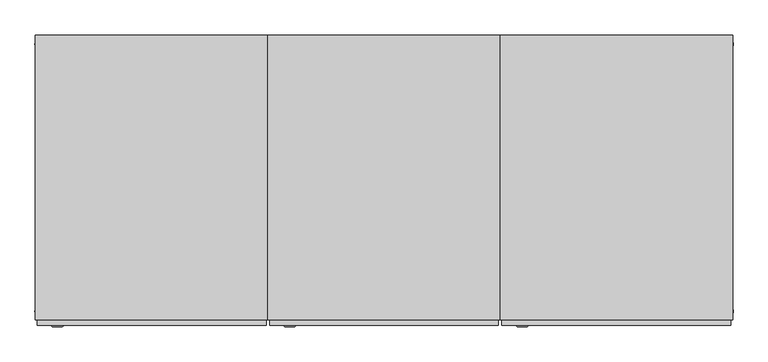
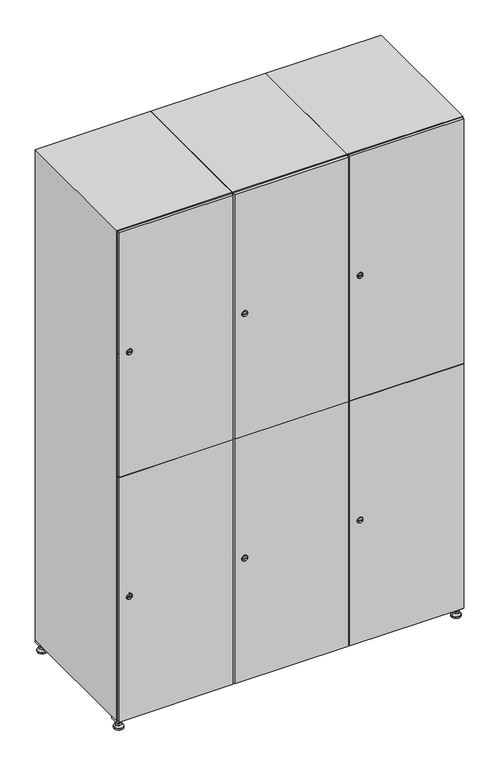
"""IFC4 building model written with IfcOpenShell, lengths in millimetres: furniture geometry."""

from ifc_helpers import new_model, si_unit, point, frame, frame_2d, origin, origin_with_axes, place, context, project, spatial, polyline, circle_curve, trimmed, segment, composite_curve, outline, extrude, faceted_brep, source, transform, mapped, element, save
from ifc_brep_helpers import plane_surface, revolved_surface, advanced_brep


def furniture_ae0b0946(model_context):
    return source(origin(), model_context, "Body", "SolidModel", [
        extrude(outline(polyline([(1000.0, 245.0), (1000.0, 215.0), (970.0, 215.0), (970.0, 245.0), (1000.0, 245.0)]), holes=[polyline([(998.0, 243.0), (972.0, 243.0), (972.0, 217.0), (998.0, 217.0), (998.0, 243.0)])]), frame((0.0, 0.0, 28.5), z_axis=(0.0, 0.0, 1.0), x_axis=(1.0, 0.0, 0.0)), (0.0, 0.0, 1.0), 6.5),
        extrude(outline(polyline([(970.0, -245.0), (970.0, -215.0), (1000.0, -215.0), (1000.0, -245.0), (970.0, -245.0)]), holes=[polyline([(972.0, -243.0), (998.0, -243.0), (998.0, -217.0), (972.0, -217.0), (972.0, -243.0)])]), frame((0.0, 0.0, 28.5), z_axis=(0.0, 0.0, 1.0), x_axis=(1.0, 0.0, 0.0)), (0.0, 0.0, 1.0), 6.5),
        extrude(outline(polyline([(-170.0, 245.0), (-170.0, 215.0), (-200.0, 215.0), (-200.0, 245.0), (-170.0, 245.0)]), holes=[polyline([(-172.0, 243.0), (-198.0, 243.0), (-198.0, 217.0), (-172.0, 217.0), (-172.0, 243.0)])]), frame((0.0, 0.0, 28.5), z_axis=(0.0, 0.0, 1.0), x_axis=(1.0, 0.0, 0.0)), (0.0, 0.0, 1.0), 6.5),
        extrude(outline(polyline([(-170.0, -215.0), (-170.0, -245.0), (-200.0, -245.0), (-200.0, -215.0), (-170.0, -215.0)]), holes=[polyline([(-198.0, -243.0), (-172.0, -243.0), (-172.0, -217.0), (-198.0, -217.0), (-198.0, -243.0)])]), frame((0.0, 0.0, 28.5), z_axis=(0.0, 0.0, 1.0), x_axis=(1.0, 0.0, 0.0)), (0.0, 0.0, 1.0), 6.5),
        extrude(outline(composite_curve([segment(trimmed(circle_curve(frame_2d((-185.0, 230.0)), 5.0), [point((-180.0, 230.0))], [point((-190.0, 230.0))], False, "CARTESIAN"), True, "CONTINUOUS"), segment(trimmed(circle_curve(frame_2d((-185.0, 230.0)), 5.0), [point((-190.0, 230.0))], [point((-180.0, 230.0))], False, "CARTESIAN"), True, "CONTINUOUS")], self_intersect=False)), frame((0.0, 0.0, 19.6), z_axis=(0.0, 0.0, 1.0), x_axis=(1.0, 0.0, 0.0)), (0.0, 0.0, 1.0), 15.4),
        extrude(outline(composite_curve([segment(trimmed(circle_curve(frame_2d((-185.0, -230.0)), 5.0), [point((-180.0, -230.0))], [point((-190.0, -230.0))], False, "CARTESIAN"), True, "CONTINUOUS"), segment(trimmed(circle_curve(frame_2d((-185.0, -230.0)), 5.0), [point((-190.0, -230.0))], [point((-180.0, -230.0))], False, "CARTESIAN"), True, "CONTINUOUS")], self_intersect=False)), frame((0.0, 0.0, 19.6), z_axis=(0.0, 0.0, 1.0), x_axis=(1.0, 0.0, 0.0)), (0.0, 0.0, 1.0), 15.4),
        extrude(outline(composite_curve([segment(trimmed(circle_curve(frame_2d((985.0, 230.0)), 5.0), [point((990.0, 230.0))], [point((980.0, 230.0))], False, "CARTESIAN"), True, "CONTINUOUS"), segment(trimmed(circle_curve(frame_2d((985.0, 230.0)), 5.0), [point((980.0, 230.0))], [point((990.0, 230.0))], False, "CARTESIAN"), True, "CONTINUOUS")], self_intersect=False)), frame((0.0, 0.0, 19.6), z_axis=(0.0, 0.0, 1.0), x_axis=(1.0, 0.0, 0.0)), (0.0, 0.0, 1.0), 15.4),
        extrude(outline(polyline([(973.4529946, 230.0), (979.2264973, 240.0), (990.7735027, 240.0), (996.5470054, 230.0), (990.7735027, 220.0), (979.2264973, 220.0), (973.4529946, 230.0)])), frame((0.0, 0.0, 13.6), z_axis=(0.0, 0.0, 1.0), x_axis=(1.0, 0.0, 0.0)), (0.0, 0.0, 1.0), 6.0),
        extrude(outline(composite_curve([segment(trimmed(circle_curve(frame_2d((985.0, -230.0)), 5.0), [point((990.0, -230.0))], [point((980.0, -230.0))], False, "CARTESIAN"), True, "CONTINUOUS"), segment(trimmed(circle_curve(frame_2d((985.0, -230.0)), 5.0), [point((980.0, -230.0))], [point((990.0, -230.0))], False, "CARTESIAN"), True, "CONTINUOUS")], self_intersect=False)), frame((0.0, 0.0, 19.6), z_axis=(0.0, 0.0, 1.0), x_axis=(1.0, 0.0, 0.0)), (0.0, 0.0, 1.0), 15.4),
        extrude(outline(polyline([(973.4529946, -230.0), (979.2264973, -220.0), (990.7735027, -220.0), (996.5470054, -230.0), (990.7735027, -240.0), (979.2264973, -240.0), (973.4529946, -230.0)])), frame((0.0, 0.0, 13.6), z_axis=(0.0, 0.0, 1.0), x_axis=(1.0, 0.0, 0.0)), (0.0, 0.0, 1.0), 6.0),
        extrude(outline(composite_curve([segment(trimmed(circle_curve(frame_2d((985.0, 230.0)), 5.0), [point((990.0, 230.0))], [point((980.0, 230.0))], False, "CARTESIAN"), True, "CONTINUOUS"), segment(trimmed(circle_curve(frame_2d((985.0, 230.0)), 5.0), [point((980.0, 230.0))], [point((990.0, 230.0))], False, "CARTESIAN"), True, "CONTINUOUS")], self_intersect=False)), frame((0.0, 0.0, 12.1), z_axis=(0.0, 0.0, 1.0), x_axis=(1.0, 0.0, 0.0)), (0.0, 0.0, 1.0), 1.5),
        extrude(outline(composite_curve([segment(trimmed(circle_curve(frame_2d((985.0, -230.0)), 5.0), [point((990.0, -230.0))], [point((980.0, -230.0))], False, "CARTESIAN"), True, "CONTINUOUS"), segment(trimmed(circle_curve(frame_2d((985.0, -230.0)), 5.0), [point((980.0, -230.0))], [point((990.0, -230.0))], False, "CARTESIAN"), True, "CONTINUOUS")], self_intersect=False)), frame((0.0, 0.0, 12.1), z_axis=(0.0, 0.0, 1.0), x_axis=(1.0, 0.0, 0.0)), (0.0, 0.0, 1.0), 1.5),
        extrude(outline(polyline([(-196.5470054, 230.0), (-190.7735027, 240.0), (-179.2264973, 240.0), (-173.4529946, 230.0), (-179.2264973, 220.0), (-190.7735027, 220.0), (-196.5470054, 230.0)])), frame((0.0, 0.0, 13.6), z_axis=(0.0, 0.0, 1.0), x_axis=(1.0, 0.0, 0.0)), (0.0, 0.0, 1.0), 6.0),
        extrude(outline(polyline([(-196.5470054, -230.0), (-190.7735027, -220.0), (-179.2264973, -220.0), (-173.4529946, -230.0), (-179.2264973, -240.0), (-190.7735027, -240.0), (-196.5470054, -230.0)])), frame((0.0, 0.0, 13.6), z_axis=(0.0, 0.0, 1.0), x_axis=(1.0, 0.0, 0.0)), (0.0, 0.0, 1.0), 6.0),
        extrude(outline(composite_curve([segment(trimmed(circle_curve(frame_2d((-185.0, 230.0)), 5.0), [point((-185.0, 235.0))], [point((-185.0, 225.0))], False, "CARTESIAN"), True, "CONTINUOUS"), segment(trimmed(circle_curve(frame_2d((-185.0, 230.0)), 5.0), [point((-185.0, 225.0))], [point((-185.0, 235.0))], False, "CARTESIAN"), True, "CONTINUOUS")], self_intersect=False)), frame((0.0, 0.0, 12.1), z_axis=(0.0, 0.0, 1.0), x_axis=(1.0, 0.0, 0.0)), (0.0, 0.0, 1.0), 1.5),
        extrude(outline(composite_curve([segment(trimmed(circle_curve(frame_2d((-185.0, -230.0)), 5.0), [point((-180.0, -230.0))], [point((-190.0, -230.0))], False, "CARTESIAN"), True, "CONTINUOUS"), segment(trimmed(circle_curve(frame_2d((-185.0, -230.0)), 5.0), [point((-190.0, -230.0))], [point((-180.0, -230.0))], False, "CARTESIAN"), True, "CONTINUOUS")], self_intersect=False)), frame((0.0, 0.0, 12.1), z_axis=(0.0, 0.0, 1.0), x_axis=(1.0, 0.0, 0.0)), (0.0, 0.0, 1.0), 1.5),
        extrude(outline(composite_curve([segment(trimmed(circle_curve(frame_2d((985.0, 230.0)), 15.75), [point((1000.75, 230.0))], [point((969.25, 230.0))], False, "CARTESIAN"), True, "CONTINUOUS"), segment(trimmed(circle_curve(frame_2d((985.0, 230.0)), 15.75), [point((969.25, 230.0))], [point((1000.75, 230.0))], False, "CARTESIAN"), True, "CONTINUOUS")], self_intersect=False)), origin_with_axes(), (0.0, 0.0, 1.0), 5.1),
        extrude(outline(composite_curve([segment(trimmed(circle_curve(frame_2d((985.0, -230.0)), 15.75), [point((985.0, -214.25))], [point((985.0, -245.75))], False, "CARTESIAN"), True, "CONTINUOUS"), segment(trimmed(circle_curve(frame_2d((985.0, -230.0)), 15.75), [point((985.0, -245.75))], [point((985.0, -214.25))], False, "CARTESIAN"), True, "CONTINUOUS")], self_intersect=False)), origin_with_axes(), (0.0, 0.0, 1.0), 5.1),
        extrude(outline(composite_curve([segment(trimmed(circle_curve(frame_2d((-185.0, -230.0)), 15.75), [point((-169.25, -230.0))], [point((-200.75, -230.0))], False, "CARTESIAN"), True, "CONTINUOUS"), segment(trimmed(circle_curve(frame_2d((-185.0, -230.0)), 15.75), [point((-200.75, -230.0))], [point((-169.25, -230.0))], False, "CARTESIAN"), True, "CONTINUOUS")], self_intersect=False)), origin_with_axes(), (0.0, 0.0, 1.0), 5.1),
        extrude(outline(composite_curve([segment(trimmed(circle_curve(frame_2d((-185.0, 230.0)), 15.75), [point((-169.25, 230.0))], [point((-200.75, 230.0))], False, "CARTESIAN"), True, "CONTINUOUS"), segment(trimmed(circle_curve(frame_2d((-185.0, 230.0)), 15.75), [point((-200.75, 230.0))], [point((-169.25, 230.0))], False, "CARTESIAN"), True, "CONTINUOUS")], self_intersect=False)), origin_with_axes(), (0.0, 0.0, 1.0), 5.1),
        advanced_brep(
        [(-185.0, 239.5, 12.1), (-185.0, 220.5, 12.1), (-185.0, 214.25, 5.1), (-185.0, 245.75, 5.1)],
        [
            (0, 1, circle_curve(frame((-185.0, 230.0, 12.1), z_axis=(0.0, 0.0, -1.0), x_axis=(0.0, 1.0, 0.0)), 9.5)),
            (1, 2),
            (2, 3, circle_curve(frame((-185.0, 230.0, 5.1), z_axis=(0.0, 0.0, 1.0), x_axis=(0.0, 1.0, 0.0)), 15.75)),
            (3, 0),
            (1, 0, circle_curve(frame((-185.0, 230.0, 12.1), z_axis=(0.0, 0.0, -1.0), x_axis=(0.0, -1.0, 0.0)), 9.5)),
            (3, 2, circle_curve(frame((-185.0, 230.0, 5.1), z_axis=(0.0, 0.0, 1.0), x_axis=(0.0, -1.0, 0.0)), 15.75)),
        ],
        [
            revolved_surface(polyline([(-185.0, 220.5, 12.099999999999998), (-185.0, 214.25, 5.099999999999998)]), (-185.0, 230.0, 22.74), (0.0, 0.0, -1.0)),
            revolved_surface(polyline([(-185.0, 239.5, 12.099999999999998), (-185.0, 245.75, 5.099999999999998)]), (-185.0, 230.0, 22.74), (0.0, 0.0, -1.0)),
            plane_surface(frame((-185.0, 230.0, 5.1), z_axis=(0.0, 0.0, -1.0), x_axis=(1.0, 0.0, 0.0))),
            plane_surface(frame((-185.0, 230.0, 12.1), z_axis=(0.0, 0.0, 1.0), x_axis=(1.0, 0.0, 0.0))),
        ],
        [
            (0, [[1, 2, 3, 4]]),
            (1, [[5, -4, 6, -2]]),
            (2, [[-3, -6]]),
            (3, [[-5, -1]]),
        ],
    ),
        advanced_brep(
        [(985.0, 239.5, 12.1), (985.0, 220.5, 12.1), (985.0, 214.25, 5.1), (985.0, 245.75, 5.1)],
        [
            (0, 1, circle_curve(frame((985.0, 230.0, 12.1), z_axis=(0.0, 0.0, -1.0), x_axis=(0.0, 1.0, 0.0)), 9.5)),
            (1, 2),
            (2, 3, circle_curve(frame((985.0, 230.0, 5.1), z_axis=(0.0, 0.0, 1.0), x_axis=(0.0, 1.0, 0.0)), 15.75)),
            (3, 0),
            (1, 0, circle_curve(frame((985.0, 230.0, 12.1), z_axis=(0.0, 0.0, -1.0), x_axis=(0.0, -1.0, 0.0)), 9.5)),
            (3, 2, circle_curve(frame((985.0, 230.0, 5.1), z_axis=(0.0, 0.0, 1.0), x_axis=(0.0, -1.0, 0.0)), 15.75)),
        ],
        [
            revolved_surface(polyline([(985.0, 220.5, 12.099999999999998), (985.0, 214.25, 5.099999999999998)]), (985.0, 230.0, 22.74), (0.0, 0.0, -1.0)),
            revolved_surface(polyline([(985.0, 239.5, 12.099999999999998), (985.0, 245.75, 5.099999999999998)]), (985.0, 230.0, 22.74), (0.0, 0.0, -1.0)),
            plane_surface(frame((985.0, 230.0, 5.1), z_axis=(0.0, 0.0, -1.0), x_axis=(1.0, 0.0, 0.0))),
            plane_surface(frame((985.0, 230.0, 12.1), z_axis=(0.0, 0.0, 1.0), x_axis=(1.0, 0.0, 0.0))),
        ],
        [
            (0, [[1, 2, 3, 4]]),
            (1, [[5, -4, 6, -2]]),
            (2, [[-3, -6]]),
            (3, [[-5, -1]]),
        ],
    ),
        advanced_brep(
        [(1000.75, -230.0, 5.1), (969.25, -230.0, 5.1), (975.5, -230.0, 12.1), (994.5, -230.0, 12.1)],
        [
            (0, 1, circle_curve(frame((985.0, -230.0, 5.1), z_axis=(0.0, 0.0, 1.0), x_axis=(1.0, 0.0, 0.0)), 15.75)),
            (1, 2),
            (2, 3, circle_curve(frame((985.0, -230.0, 12.1), z_axis=(0.0, 0.0, -1.0), x_axis=(1.0, 0.0, 0.0)), 9.5)),
            (3, 0),
            (1, 0, circle_curve(frame((985.0, -230.0, 5.1), z_axis=(0.0, 0.0, 1.0), x_axis=(-1.0, 0.0, 0.0)), 15.75)),
            (3, 2, circle_curve(frame((985.0, -230.0, 12.1), z_axis=(0.0, 0.0, -1.0), x_axis=(-1.0, 0.0, 0.0)), 9.5)),
        ],
        [
            revolved_surface(polyline([(994.5, -230.0, 12.099999999999998), (1000.75, -230.0, 5.099999999999998)]), (985.0, -230.0, 22.74), (0.0, 0.0, -1.0)),
            revolved_surface(polyline([(975.5, -230.0, 12.099999999999998), (969.25, -230.0, 5.099999999999998)]), (985.0, -230.0, 22.74), (0.0, 0.0, -1.0)),
            plane_surface(frame((985.0, -230.0, 12.1), z_axis=(0.0, 0.0, 1.0), x_axis=(0.0, 1.0, 0.0))),
            plane_surface(frame((985.0, -230.0, 5.1), z_axis=(0.0, 0.0, -1.0), x_axis=(0.0, 1.0, 0.0))),
        ],
        [
            (0, [[1, 2, 3, 4]]),
            (1, [[5, -4, 6, -2]]),
            (2, [[-3, -6]]),
            (3, [[-5, -1]]),
        ],
    ),
        advanced_brep(
        [(-169.25, -230.0, 5.1), (-200.75, -230.0, 5.1), (-194.5, -230.0, 12.1), (-175.5, -230.0, 12.1)],
        [
            (0, 1, circle_curve(frame((-185.0, -230.0, 5.1), z_axis=(0.0, 0.0, 1.0), x_axis=(1.0, 0.0, 0.0)), 15.75)),
            (1, 2),
            (2, 3, circle_curve(frame((-185.0, -230.0, 12.1), z_axis=(0.0, 0.0, -1.0), x_axis=(1.0, 0.0, 0.0)), 9.5)),
            (3, 0),
            (1, 0, circle_curve(frame((-185.0, -230.0, 5.1), z_axis=(0.0, 0.0, 1.0), x_axis=(-1.0, 0.0, 0.0)), 15.75)),
            (3, 2, circle_curve(frame((-185.0, -230.0, 12.1), z_axis=(0.0, 0.0, -1.0), x_axis=(-1.0, 0.0, 0.0)), 9.5)),
        ],
        [
            revolved_surface(polyline([(-175.5, -230.0, 12.099999999999998), (-169.25, -230.0, 5.099999999999998)]), (-185.0, -230.0, 22.74), (0.0, 0.0, -1.0)),
            revolved_surface(polyline([(-194.5, -230.0, 12.099999999999998), (-200.75, -230.0, 5.099999999999998)]), (-185.0, -230.0, 22.74), (0.0, 0.0, -1.0)),
            plane_surface(frame((-185.0, -230.0, 12.1), z_axis=(0.0, 0.0, 1.0), x_axis=(0.0, 1.0, 0.0))),
            plane_surface(frame((-185.0, -230.0, 5.1), z_axis=(0.0, 0.0, -1.0), x_axis=(0.0, 1.0, 0.0))),
        ],
        [
            (0, [[1, 2, 3, 4]]),
            (1, [[5, -4, 6, -2]]),
            (2, [[-3, -6]]),
            (3, [[-5, -1]]),
        ],
    ),
        extrude(outline(composite_curve([segment(trimmed(circle_curve(frame_2d((486.5, 611.2010534)), 7.0), [point((493.5, 611.2010534))], [point((479.5, 611.2010534))], False, "CARTESIAN"), True, "CONTINUOUS"), segment(polyline([(479.5, 611.2010534), (479.5, 639.2010534)]), True, "CONTINUOUS"), segment(trimmed(circle_curve(frame_2d((486.5, 639.2010534)), 7.0), [point((479.5, 639.2010534))], [point((493.5, 639.2010534))], False, "CARTESIAN"), True, "CONTINUOUS"), segment(polyline([(493.5, 639.2010534), (493.5, 611.2010534)]), True, "CONTINUOUS")], self_intersect=False)), frame((0.0, -245.0, 0.0), z_axis=(0.0, 1.0, 0.0), x_axis=(0.0, 0.0, 1.0)), (0.0, 0.0, 1.0), 2.0),
        advanced_brep(
        [(646.5, -257.2, 486.5), (629.5, -257.2, 486.5), (633.0, -257.2, 485.25), (633.0, -257.2, 487.75), (643.0, -257.2, 487.75), (643.0, -257.2, 485.25), (648.5, -255.0, 486.5), (627.5, -255.0, 486.5), (633.0, -255.0, 487.75), (633.0, -255.0, 485.25), (643.0, -255.0, 485.25), (643.0, -255.0, 487.75)],
        [
            (0, 1, circle_curve(frame((638.0, -257.2, 486.5), z_axis=(0.0, -1.0, 0.0), x_axis=(1.0, 0.0, 0.0)), 8.5)),
            (1, 0, circle_curve(frame((638.0, -257.2, 486.5), z_axis=(0.0, -1.0, 0.0), x_axis=(-1.0, 0.0, 0.0)), 8.5)),
            (2, 3),
            (3, 4),
            (4, 5),
            (5, 2),
            (6, 7, circle_curve(frame((638.0, -255.0, 486.5), z_axis=(0.0, 1.0, 0.0), x_axis=(-1.0, 0.0, 0.0)), 10.5)),
            (7, 6, circle_curve(frame((638.0, -255.0, 486.5), z_axis=(0.0, 1.0, 0.0), x_axis=(1.0, 0.0, 0.0)), 10.5)),
            (8, 9),
            (9, 10),
            (10, 11),
            (11, 8),
            (0, 6),
            (7, 1),
            (8, 3),
            (2, 9),
            (11, 4),
            (10, 5),
        ],
        [
            plane_surface(frame((638.0, -257.2, 486.5), z_axis=(0.0, -1.0, 0.0), x_axis=(0.0, 0.0, 1.0))),
            plane_surface(frame((638.0, -255.0, 486.5), z_axis=(0.0, 1.0, 0.0), x_axis=(0.0, 0.0, 1.0))),
            revolved_surface(polyline([(646.5, -257.2, 486.5), (648.5, -255.0, 486.5)]), (638.0, -266.55, 486.5), (0.0, 1.0, 0.0)),
            revolved_surface(polyline([(629.5, -257.2, 486.5), (627.5, -255.0, 486.5)]), (638.0, -266.55, 486.5), (0.0, 1.0, 0.0)),
            plane_surface(frame((633.0, -255.0, 485.25), z_axis=(1.0, 0.0, 0.0), x_axis=(0.0, -1.0, 0.0))),
            plane_surface(frame((633.0, -255.0, 487.75), z_axis=(0.0, 0.0, -1.0), x_axis=(0.0, -1.0, 0.0))),
            plane_surface(frame((643.0, -255.0, 487.75), z_axis=(-1.0, 0.0, 0.0), x_axis=(0.0, -1.0, 0.0))),
            plane_surface(frame((643.0, -255.0, 485.25), z_axis=(0.0, 0.0, 1.0), x_axis=(0.0, -1.0, 0.0))),
        ],
        [
            (0, [[1, 2], [3, 4, 5, 6]]),
            (1, [[7, 8], [9, 10, 11, 12]]),
            (2, [[-1, 13, -8, 14]]),
            (3, [[-2, -14, -7, -13]]),
            (4, [[15, -3, 16, -9]]),
            (5, [[-15, -12, 17, -4]]),
            (6, [[-17, -11, 18, -5]]),
            (7, [[-16, -6, -18, -10]]),
        ],
    ),
        extrude(outline(composite_curve([segment(trimmed(circle_curve(frame_2d((1383.5, 611.2010534)), 7.0), [point((1390.5, 611.2010534))], [point((1376.5, 611.2010534))], False, "CARTESIAN"), True, "CONTINUOUS"), segment(polyline([(1376.5, 611.2010534), (1376.5, 639.2010534)]), True, "CONTINUOUS"), segment(trimmed(circle_curve(frame_2d((1383.5, 639.2010534)), 7.0), [point((1376.5, 639.2010534))], [point((1390.5, 639.2010534))], False, "CARTESIAN"), True, "CONTINUOUS"), segment(polyline([(1390.5, 639.2010534), (1390.5, 611.2010534)]), True, "CONTINUOUS")], self_intersect=False)), frame((0.0, -245.0, 0.0), z_axis=(0.0, 1.0, 0.0), x_axis=(0.0, 0.0, 1.0)), (0.0, 0.0, 1.0), 2.0),
        advanced_brep(
        [(646.5, -257.2, 1383.5), (629.5, -257.2, 1383.5), (633.0, -257.2, 1382.25), (633.0, -257.2, 1384.75), (643.0, -257.2, 1384.75), (643.0, -257.2, 1382.25), (648.5, -255.0, 1383.5), (627.5, -255.0, 1383.5), (633.0, -255.0, 1384.75), (633.0, -255.0, 1382.25), (643.0, -255.0, 1382.25), (643.0, -255.0, 1384.75)],
        [
            (0, 1, circle_curve(frame((638.0, -257.2, 1383.5), z_axis=(0.0, -1.0, 0.0), x_axis=(1.0, 0.0, 0.0)), 8.5)),
            (1, 0, circle_curve(frame((638.0, -257.2, 1383.5), z_axis=(0.0, -1.0, 0.0), x_axis=(-1.0, 0.0, 0.0)), 8.5)),
            (2, 3),
            (3, 4),
            (4, 5),
            (5, 2),
            (6, 7, circle_curve(frame((638.0, -255.0, 1383.5), z_axis=(0.0, 1.0, 0.0), x_axis=(-1.0, 0.0, 0.0)), 10.5)),
            (7, 6, circle_curve(frame((638.0, -255.0, 1383.5), z_axis=(0.0, 1.0, 0.0), x_axis=(1.0, 0.0, 0.0)), 10.5)),
            (8, 9),
            (9, 10),
            (10, 11),
            (11, 8),
            (0, 6),
            (7, 1),
            (8, 3),
            (2, 9),
            (11, 4),
            (10, 5),
        ],
        [
            plane_surface(frame((638.0, -257.2, 1383.5), z_axis=(0.0, -1.0, 0.0), x_axis=(0.0, 0.0, 1.0))),
            plane_surface(frame((638.0, -255.0, 1383.5), z_axis=(0.0, 1.0, 0.0), x_axis=(0.0, 0.0, 1.0))),
            revolved_surface(polyline([(646.5, -257.2, 1383.5), (648.5, -255.0, 1383.5)]), (638.0, -266.55, 1383.5), (0.0, 1.0, 0.0)),
            revolved_surface(polyline([(629.5, -257.2, 1383.5), (627.5, -255.0, 1383.5)]), (638.0, -266.55, 1383.5), (0.0, 1.0, 0.0)),
            plane_surface(frame((633.0, -255.0, 1382.25), z_axis=(1.0, 0.0, 0.0), x_axis=(0.0, -1.0, 0.0))),
            plane_surface(frame((633.0, -255.0, 1384.75), z_axis=(0.0, 0.0, -1.0), x_axis=(0.0, -1.0, 0.0))),
            plane_surface(frame((643.0, -255.0, 1384.75), z_axis=(-1.0, 0.0, 0.0), x_axis=(0.0, -1.0, 0.0))),
            plane_surface(frame((643.0, -255.0, 1382.25), z_axis=(0.0, 0.0, 1.0), x_axis=(0.0, -1.0, 0.0))),
        ],
        [
            (0, [[1, 2], [3, 4, 5, 6]]),
            (1, [[7, 8], [9, 10, 11, 12]]),
            (2, [[-1, 13, -8, 14]]),
            (3, [[-2, -14, -7, -13]]),
            (4, [[15, -3, 16, -9]]),
            (5, [[-15, -12, 17, -4]]),
            (6, [[-17, -11, 18, -5]]),
            (7, [[-16, -6, -18, -10]]),
        ],
    ),
        extrude(outline(polyline([(603.0, -255.0), (603.0, -245.0), (997.0, -245.0), (997.0, -255.0), (603.0, -255.0)])), frame((0.0, 0.0, 38.0), z_axis=(0.0, 0.0, 1.0), x_axis=(1.0, 0.0, 0.0)), (0.0, 0.0, 1.0), 896.5),
        extrude(outline(polyline([(997.0, -245.0), (997.0, -255.0), (603.0, -255.0), (603.0, -245.0), (997.0, -245.0)])), frame((0.0, 0.0, 935.5), z_axis=(0.0, 0.0, 1.0), x_axis=(1.0, 0.0, 0.0)), (0.0, 0.0, 1.0), 896.5),
        extrude(outline(polyline([(979.6, 242.0), (979.6, -235.0), (620.4, -235.0), (620.4, 242.0), (979.6, 242.0)])), frame((0.0, 0.0, 924.8), z_axis=(0.0, 0.0, 1.0), x_axis=(1.0, 0.0, 0.0)), (0.0, 0.0, 1.0), 20.4),
        faceted_brep([(1000.0, -245.0, 35.0), (1000.0, -245.0, 1835.0), (600.0, -245.0, 1835.0), (600.0, -245.0, 35.0), (979.6, -245.0, 1804.8), (979.6, -245.0, 65.2), (620.4, -245.0, 65.2), (620.4, -245.0, 1804.8), (1000.0, 245.0, 35.0), (600.0, 245.0, 35.0), (1000.0, 245.0, 1835.0), (600.0, 245.0, 1835.0), (979.6, 242.0, 1804.8), (979.6, 242.0, 65.2), (600.0, 245.0, 1804.8), (620.4, 242.0, 1804.8), (620.4, 242.0, 65.2)], [[[0, 1, 2, 3], [4, 5, 6, 7]], [[8, 0, 3, 9]], [[1, 0, 8, 10]], [[1, 10, 11, 2]], [[4, 12, 13, 5]], [[9, 3, 2, 11, 14]], [[10, 8, 9, 14, 11]], [[12, 15, 16, 13]], [[15, 7, 6, 16]], [[4, 7, 15, 12]], [[6, 5, 13, 16]]]),
        extrude(outline(composite_curve([segment(trimmed(circle_curve(frame_2d((486.5, 211.2010534)), 7.0), [point((493.5, 211.2010534))], [point((479.5, 211.2010534))], False, "CARTESIAN"), True, "CONTINUOUS"), segment(polyline([(479.5, 211.2010534), (479.5, 239.2010534)]), True, "CONTINUOUS"), segment(trimmed(circle_curve(frame_2d((486.5, 239.2010534)), 7.0), [point((479.5, 239.2010534))], [point((493.5, 239.2010534))], False, "CARTESIAN"), True, "CONTINUOUS"), segment(polyline([(493.5, 239.2010534), (493.5, 211.2010534)]), True, "CONTINUOUS")], self_intersect=False)), frame((0.0, -245.0, 0.0), z_axis=(0.0, 1.0, 0.0), x_axis=(0.0, 0.0, 1.0)), (0.0, 0.0, 1.0), 2.0),
        advanced_brep(
        [(246.5, -257.2, 486.5), (229.5, -257.2, 486.5), (233.0, -257.2, 485.25), (233.0, -257.2, 487.75), (243.0, -257.2, 487.75), (243.0, -257.2, 485.25), (248.5, -255.0, 486.5), (227.5, -255.0, 486.5), (233.0, -255.0, 487.75), (233.0, -255.0, 485.25), (243.0, -255.0, 485.25), (243.0, -255.0, 487.75)],
        [
            (0, 1, circle_curve(frame((238.0, -257.2, 486.5), z_axis=(0.0, -1.0, 0.0), x_axis=(1.0, 0.0, 0.0)), 8.5)),
            (1, 0, circle_curve(frame((238.0, -257.2, 486.5), z_axis=(0.0, -1.0, 0.0), x_axis=(-1.0, 0.0, 0.0)), 8.5)),
            (2, 3),
            (3, 4),
            (4, 5),
            (5, 2),
            (6, 7, circle_curve(frame((238.0, -255.0, 486.5), z_axis=(0.0, 1.0, 0.0), x_axis=(-1.0, 0.0, 0.0)), 10.5)),
            (7, 6, circle_curve(frame((238.0, -255.0, 486.5), z_axis=(0.0, 1.0, 0.0), x_axis=(1.0, 0.0, 0.0)), 10.5)),
            (8, 9),
            (9, 10),
            (10, 11),
            (11, 8),
            (0, 6),
            (7, 1),
            (8, 3),
            (2, 9),
            (11, 4),
            (10, 5),
        ],
        [
            plane_surface(frame((238.0, -257.2, 486.5), z_axis=(0.0, -1.0, 0.0), x_axis=(0.0, 0.0, 1.0))),
            plane_surface(frame((238.0, -255.0, 486.5), z_axis=(0.0, 1.0, 0.0), x_axis=(0.0, 0.0, 1.0))),
            revolved_surface(polyline([(246.5, -257.2, 486.5), (248.5, -255.0, 486.5)]), (238.0, -266.55, 486.5), (0.0, 1.0, 0.0)),
            revolved_surface(polyline([(229.5, -257.2, 486.5), (227.5, -255.0, 486.5)]), (238.0, -266.55, 486.5), (0.0, 1.0, 0.0)),
            plane_surface(frame((233.0, -255.0, 485.25), z_axis=(1.0, 0.0, 0.0), x_axis=(0.0, -1.0, 0.0))),
            plane_surface(frame((233.0, -255.0, 487.75), z_axis=(0.0, 0.0, -1.0), x_axis=(0.0, -1.0, 0.0))),
            plane_surface(frame((243.0, -255.0, 487.75), z_axis=(-1.0, 0.0, 0.0), x_axis=(0.0, -1.0, 0.0))),
            plane_surface(frame((243.0, -255.0, 485.25), z_axis=(0.0, 0.0, 1.0), x_axis=(0.0, -1.0, 0.0))),
        ],
        [
            (0, [[1, 2], [3, 4, 5, 6]]),
            (1, [[7, 8], [9, 10, 11, 12]]),
            (2, [[-1, 13, -8, 14]]),
            (3, [[-2, -14, -7, -13]]),
            (4, [[15, -3, 16, -9]]),
            (5, [[-15, -12, 17, -4]]),
            (6, [[-17, -11, 18, -5]]),
            (7, [[-16, -6, -18, -10]]),
        ],
    ),
        extrude(outline(composite_curve([segment(trimmed(circle_curve(frame_2d((1383.5, 211.2010534)), 7.0), [point((1390.5, 211.2010534))], [point((1376.5, 211.2010534))], False, "CARTESIAN"), True, "CONTINUOUS"), segment(polyline([(1376.5, 211.2010534), (1376.5, 239.2010534)]), True, "CONTINUOUS"), segment(trimmed(circle_curve(frame_2d((1383.5, 239.2010534)), 7.0), [point((1376.5, 239.2010534))], [point((1390.5, 239.2010534))], False, "CARTESIAN"), True, "CONTINUOUS"), segment(polyline([(1390.5, 239.2010534), (1390.5, 211.2010534)]), True, "CONTINUOUS")], self_intersect=False)), frame((0.0, -245.0, 0.0), z_axis=(0.0, 1.0, 0.0), x_axis=(0.0, 0.0, 1.0)), (0.0, 0.0, 1.0), 2.0),
        advanced_brep(
        [(246.5, -257.2, 1383.5), (229.5, -257.2, 1383.5), (233.0, -257.2, 1382.25), (233.0, -257.2, 1384.75), (243.0, -257.2, 1384.75), (243.0, -257.2, 1382.25), (248.5, -255.0, 1383.5), (227.5, -255.0, 1383.5), (233.0, -255.0, 1384.75), (233.0, -255.0, 1382.25), (243.0, -255.0, 1382.25), (243.0, -255.0, 1384.75)],
        [
            (0, 1, circle_curve(frame((238.0, -257.2, 1383.5), z_axis=(0.0, -1.0, 0.0), x_axis=(1.0, 0.0, 0.0)), 8.5)),
            (1, 0, circle_curve(frame((238.0, -257.2, 1383.5), z_axis=(0.0, -1.0, 0.0), x_axis=(-1.0, 0.0, 0.0)), 8.5)),
            (2, 3),
            (3, 4),
            (4, 5),
            (5, 2),
            (6, 7, circle_curve(frame((238.0, -255.0, 1383.5), z_axis=(0.0, 1.0, 0.0), x_axis=(-1.0, 0.0, 0.0)), 10.5)),
            (7, 6, circle_curve(frame((238.0, -255.0, 1383.5), z_axis=(0.0, 1.0, 0.0), x_axis=(1.0, 0.0, 0.0)), 10.5)),
            (8, 9),
            (9, 10),
            (10, 11),
            (11, 8),
            (0, 6),
            (7, 1),
            (8, 3),
            (2, 9),
            (11, 4),
            (10, 5),
        ],
        [
            plane_surface(frame((238.0, -257.2, 1383.5), z_axis=(0.0, -1.0, 0.0), x_axis=(0.0, 0.0, 1.0))),
            plane_surface(frame((238.0, -255.0, 1383.5), z_axis=(0.0, 1.0, 0.0), x_axis=(0.0, 0.0, 1.0))),
            revolved_surface(polyline([(246.5, -257.2, 1383.5), (248.5, -255.0, 1383.5)]), (238.0, -266.55, 1383.5), (0.0, 1.0, 0.0)),
            revolved_surface(polyline([(229.5, -257.2, 1383.5), (227.5, -255.0, 1383.5)]), (238.0, -266.55, 1383.5), (0.0, 1.0, 0.0)),
            plane_surface(frame((233.0, -255.0, 1382.25), z_axis=(1.0, 0.0, 0.0), x_axis=(0.0, -1.0, 0.0))),
            plane_surface(frame((233.0, -255.0, 1384.75), z_axis=(0.0, 0.0, -1.0), x_axis=(0.0, -1.0, 0.0))),
            plane_surface(frame((243.0, -255.0, 1384.75), z_axis=(-1.0, 0.0, 0.0), x_axis=(0.0, -1.0, 0.0))),
            plane_surface(frame((243.0, -255.0, 1382.25), z_axis=(0.0, 0.0, 1.0), x_axis=(0.0, -1.0, 0.0))),
        ],
        [
            (0, [[1, 2], [3, 4, 5, 6]]),
            (1, [[7, 8], [9, 10, 11, 12]]),
            (2, [[-1, 13, -8, 14]]),
            (3, [[-2, -14, -7, -13]]),
            (4, [[15, -3, 16, -9]]),
            (5, [[-15, -12, 17, -4]]),
            (6, [[-17, -11, 18, -5]]),
            (7, [[-16, -6, -18, -10]]),
        ],
    ),
        extrude(outline(polyline([(203.0, -255.0), (203.0, -245.0), (597.0, -245.0), (597.0, -255.0), (203.0, -255.0)])), frame((0.0, 0.0, 38.0), z_axis=(0.0, 0.0, 1.0), x_axis=(1.0, 0.0, 0.0)), (0.0, 0.0, 1.0), 896.5),
        extrude(outline(polyline([(597.0, -245.0), (597.0, -255.0), (203.0, -255.0), (203.0, -245.0), (597.0, -245.0)])), frame((0.0, 0.0, 935.5), z_axis=(0.0, 0.0, 1.0), x_axis=(1.0, 0.0, 0.0)), (0.0, 0.0, 1.0), 896.5),
        extrude(outline(polyline([(579.6, 242.0), (579.6, -235.0), (220.4, -235.0), (220.4, 242.0), (579.6, 242.0)])), frame((0.0, 0.0, 924.8), z_axis=(0.0, 0.0, 1.0), x_axis=(1.0, 0.0, 0.0)), (0.0, 0.0, 1.0), 20.4),
        faceted_brep([(600.0, -245.0, 35.0), (600.0, -245.0, 1835.0), (200.0, -245.0, 1835.0), (200.0, -245.0, 35.0), (579.6, -245.0, 1804.8), (579.6, -245.0, 65.2), (220.4, -245.0, 65.2), (220.4, -245.0, 1804.8), (600.0, 245.0, 35.0), (200.0, 245.0, 35.0), (600.0, 245.0, 1835.0), (200.0, 245.0, 1835.0), (579.6, 242.0, 1804.8), (579.6, 242.0, 65.2), (200.0, 245.0, 1804.8), (220.4, 242.0, 1804.8), (220.4, 242.0, 65.2)], [[[0, 1, 2, 3], [4, 5, 6, 7]], [[8, 0, 3, 9]], [[1, 0, 8, 10]], [[1, 10, 11, 2]], [[4, 12, 13, 5]], [[9, 3, 2, 11, 14]], [[10, 8, 9, 14, 11]], [[12, 15, 16, 13]], [[15, 7, 6, 16]], [[4, 7, 15, 12]], [[6, 5, 13, 16]]]),
        extrude(outline(composite_curve([segment(trimmed(circle_curve(frame_2d((486.5, -188.7989466)), 7.0), [point((493.5, -188.7989466))], [point((479.5, -188.7989466))], False, "CARTESIAN"), True, "CONTINUOUS"), segment(polyline([(479.5, -188.7989466), (479.5, -160.7989466)]), True, "CONTINUOUS"), segment(trimmed(circle_curve(frame_2d((486.5, -160.7989466)), 7.0), [point((479.5, -160.7989466))], [point((493.5, -160.7989466))], False, "CARTESIAN"), True, "CONTINUOUS"), segment(polyline([(493.5, -160.7989466), (493.5, -188.7989466)]), True, "CONTINUOUS")], self_intersect=False)), frame((0.0, -245.0, 0.0), z_axis=(0.0, 1.0, 0.0), x_axis=(0.0, 0.0, 1.0)), (0.0, 0.0, 1.0), 2.0),
        advanced_brep(
        [(-153.5, -257.2, 486.5), (-170.5, -257.2, 486.5), (-167.0, -257.2, 485.25), (-167.0, -257.2, 487.75), (-157.0, -257.2, 487.75), (-157.0, -257.2, 485.25), (-151.5, -255.0, 486.5), (-172.5, -255.0, 486.5), (-167.0, -255.0, 487.75), (-167.0, -255.0, 485.25), (-157.0, -255.0, 485.25), (-157.0, -255.0, 487.75)],
        [
            (0, 1, circle_curve(frame((-162.0, -257.2, 486.5), z_axis=(0.0, -1.0, 0.0), x_axis=(1.0, 0.0, 0.0)), 8.5)),
            (1, 0, circle_curve(frame((-162.0, -257.2, 486.5), z_axis=(0.0, -1.0, 0.0), x_axis=(-1.0, 0.0, 0.0)), 8.5)),
            (2, 3),
            (3, 4),
            (4, 5),
            (5, 2),
            (6, 7, circle_curve(frame((-162.0, -255.0, 486.5), z_axis=(0.0, 1.0, 0.0), x_axis=(-1.0, 0.0, 0.0)), 10.5)),
            (7, 6, circle_curve(frame((-162.0, -255.0, 486.5), z_axis=(0.0, 1.0, 0.0), x_axis=(1.0, 0.0, 0.0)), 10.5)),
            (8, 9),
            (9, 10),
            (10, 11),
            (11, 8),
            (0, 6),
            (7, 1),
            (8, 3),
            (2, 9),
            (11, 4),
            (10, 5),
        ],
        [
            plane_surface(frame((-162.0, -257.2, 486.5), z_axis=(0.0, -1.0, 0.0), x_axis=(0.0, 0.0, 1.0))),
            plane_surface(frame((-162.0, -255.0, 486.5), z_axis=(0.0, 1.0, 0.0), x_axis=(0.0, 0.0, 1.0))),
            revolved_surface(polyline([(-153.5, -257.2, 486.5), (-151.5, -255.0, 486.5)]), (-162.0, -266.55, 486.5), (0.0, 1.0, 0.0)),
            revolved_surface(polyline([(-170.5, -257.2, 486.5), (-172.5, -255.0, 486.5)]), (-162.0, -266.55, 486.5), (0.0, 1.0, 0.0)),
            plane_surface(frame((-167.0, -255.0, 485.25), z_axis=(1.0, 0.0, 0.0), x_axis=(0.0, -1.0, 0.0))),
            plane_surface(frame((-167.0, -255.0, 487.75), z_axis=(0.0, 0.0, -1.0), x_axis=(0.0, -1.0, 0.0))),
            plane_surface(frame((-157.0, -255.0, 487.75), z_axis=(-1.0, 0.0, 0.0), x_axis=(0.0, -1.0, 0.0))),
            plane_surface(frame((-157.0, -255.0, 485.25), z_axis=(0.0, 0.0, 1.0), x_axis=(0.0, -1.0, 0.0))),
        ],
        [
            (0, [[1, 2], [3, 4, 5, 6]]),
            (1, [[7, 8], [9, 10, 11, 12]]),
            (2, [[-1, 13, -8, 14]]),
            (3, [[-2, -14, -7, -13]]),
            (4, [[15, -3, 16, -9]]),
            (5, [[-15, -12, 17, -4]]),
            (6, [[-17, -11, 18, -5]]),
            (7, [[-16, -6, -18, -10]]),
        ],
    ),
        extrude(outline(composite_curve([segment(trimmed(circle_curve(frame_2d((1383.5, -188.7989466)), 7.0), [point((1390.5, -188.7989466))], [point((1376.5, -188.7989466))], False, "CARTESIAN"), True, "CONTINUOUS"), segment(polyline([(1376.5, -188.7989466), (1376.5, -160.7989466)]), True, "CONTINUOUS"), segment(trimmed(circle_curve(frame_2d((1383.5, -160.7989466)), 7.0), [point((1376.5, -160.7989466))], [point((1390.5, -160.7989466))], False, "CARTESIAN"), True, "CONTINUOUS"), segment(polyline([(1390.5, -160.7989466), (1390.5, -188.7989466)]), True, "CONTINUOUS")], self_intersect=False)), frame((0.0, -245.0, 0.0), z_axis=(0.0, 1.0, 0.0), x_axis=(0.0, 0.0, 1.0)), (0.0, 0.0, 1.0), 2.0),
        advanced_brep(
        [(-153.5, -257.2, 1383.5), (-170.5, -257.2, 1383.5), (-167.0, -257.2, 1382.25), (-167.0, -257.2, 1384.75), (-157.0, -257.2, 1384.75), (-157.0, -257.2, 1382.25), (-151.5, -255.0, 1383.5), (-172.5, -255.0, 1383.5), (-167.0, -255.0, 1384.75), (-167.0, -255.0, 1382.25), (-157.0, -255.0, 1382.25), (-157.0, -255.0, 1384.75)],
        [
            (0, 1, circle_curve(frame((-162.0, -257.2, 1383.5), z_axis=(0.0, -1.0, 0.0), x_axis=(1.0, 0.0, 0.0)), 8.5)),
            (1, 0, circle_curve(frame((-162.0, -257.2, 1383.5), z_axis=(0.0, -1.0, 0.0), x_axis=(-1.0, 0.0, 0.0)), 8.5)),
            (2, 3),
            (3, 4),
            (4, 5),
            (5, 2),
            (6, 7, circle_curve(frame((-162.0, -255.0, 1383.5), z_axis=(0.0, 1.0, 0.0), x_axis=(-1.0, 0.0, 0.0)), 10.5)),
            (7, 6, circle_curve(frame((-162.0, -255.0, 1383.5), z_axis=(0.0, 1.0, 0.0), x_axis=(1.0, 0.0, 0.0)), 10.5)),
            (8, 9),
            (9, 10),
            (10, 11),
            (11, 8),
            (0, 6),
            (7, 1),
            (8, 3),
            (2, 9),
            (11, 4),
            (10, 5),
        ],
        [
            plane_surface(frame((-162.0, -257.2, 1383.5), z_axis=(0.0, -1.0, 0.0), x_axis=(0.0, 0.0, 1.0))),
            plane_surface(frame((-162.0, -255.0, 1383.5), z_axis=(0.0, 1.0, 0.0), x_axis=(0.0, 0.0, 1.0))),
            revolved_surface(polyline([(-153.5, -257.2, 1383.5), (-151.5, -255.0, 1383.5)]), (-162.0, -266.55, 1383.5), (0.0, 1.0, 0.0)),
            revolved_surface(polyline([(-170.5, -257.2, 1383.5), (-172.5, -255.0, 1383.5)]), (-162.0, -266.55, 1383.5), (0.0, 1.0, 0.0)),
            plane_surface(frame((-167.0, -255.0, 1382.25), z_axis=(1.0, 0.0, 0.0), x_axis=(0.0, -1.0, 0.0))),
            plane_surface(frame((-167.0, -255.0, 1384.75), z_axis=(0.0, 0.0, -1.0), x_axis=(0.0, -1.0, 0.0))),
            plane_surface(frame((-157.0, -255.0, 1384.75), z_axis=(-1.0, 0.0, 0.0), x_axis=(0.0, -1.0, 0.0))),
            plane_surface(frame((-157.0, -255.0, 1382.25), z_axis=(0.0, 0.0, 1.0), x_axis=(0.0, -1.0, 0.0))),
        ],
        [
            (0, [[1, 2], [3, 4, 5, 6]]),
            (1, [[7, 8], [9, 10, 11, 12]]),
            (2, [[-1, 13, -8, 14]]),
            (3, [[-2, -14, -7, -13]]),
            (4, [[15, -3, 16, -9]]),
            (5, [[-15, -12, 17, -4]]),
            (6, [[-17, -11, 18, -5]]),
            (7, [[-16, -6, -18, -10]]),
        ],
    ),
        extrude(outline(polyline([(-197.0, -255.0), (-197.0, -245.0), (197.0, -245.0), (197.0, -255.0), (-197.0, -255.0)])), frame((0.0, 0.0, 38.0), z_axis=(0.0, 0.0, 1.0), x_axis=(1.0, 0.0, 0.0)), (0.0, 0.0, 1.0), 896.5),
        extrude(outline(polyline([(197.0, -245.0), (197.0, -255.0), (-197.0, -255.0), (-197.0, -245.0), (197.0, -245.0)])), frame((0.0, 0.0, 935.5), z_axis=(0.0, 0.0, 1.0), x_axis=(1.0, 0.0, 0.0)), (0.0, 0.0, 1.0), 896.5),
        extrude(outline(polyline([(179.6, 242.0), (179.6, -235.0), (-179.6, -235.0), (-179.6, 242.0), (179.6, 242.0)])), frame((0.0, 0.0, 924.8), z_axis=(0.0, 0.0, 1.0), x_axis=(1.0, 0.0, 0.0)), (0.0, 0.0, 1.0), 20.4),
        faceted_brep([(200.0, -245.0, 35.0), (200.0, -245.0, 1835.0), (-200.0, -245.0, 1835.0), (-200.0, -245.0, 35.0), (179.6, -245.0, 1804.8), (179.6, -245.0, 65.2), (-179.6, -245.0, 65.2), (-179.6, -245.0, 1804.8), (200.0, 245.0, 35.0), (-200.0, 245.0, 35.0), (200.0, 245.0, 1835.0), (-200.0, 245.0, 1835.0), (179.6, 242.0, 1804.8), (179.6, 242.0, 65.2), (-200.0, 245.0, 1804.8), (-179.6, 242.0, 1804.8), (-179.6, 242.0, 65.2)], [[[0, 1, 2, 3], [4, 5, 6, 7]], [[8, 0, 3, 9]], [[1, 0, 8, 10]], [[1, 10, 11, 2]], [[4, 12, 13, 5]], [[9, 3, 2, 11, 14]], [[10, 8, 9, 14, 11]], [[12, 15, 16, 13]], [[15, 7, 6, 16]], [[4, 7, 15, 12]], [[6, 5, 13, 16]]]),
    ])


if __name__ == "__main__":
    model = new_model("IFC4")
    model_context = context("Model", 3, world=origin())
    ifc_project = project(units=[si_unit("LENGTHUNIT", "METRE", prefix="MILLI")], contexts=[model_context])
    site = spatial("IfcSite", under=ifc_project)
    building = spatial("IfcBuilding", under=site)
    placement = place(None, origin())
    furniture_shape = furniture_ae0b0946(model_context)
    element("IfcFurniture", 1, at=placement, inside=building, context=model_context, shape_type="MappedRepresentation", body=[
        mapped(furniture_shape, transform((0.0, 0.0, 0.0), x_axis=(1.0, 0.0, 0.0), y_axis=(0.0, 1.0, 0.0), z_axis=(0.0, 0.0, 1.0))),
    ])
    save(model, "model.ifc")
